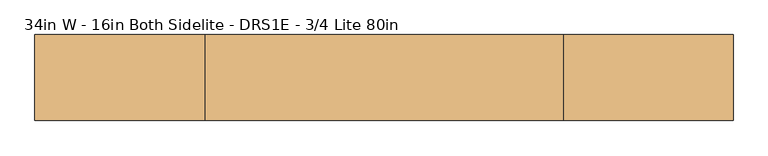
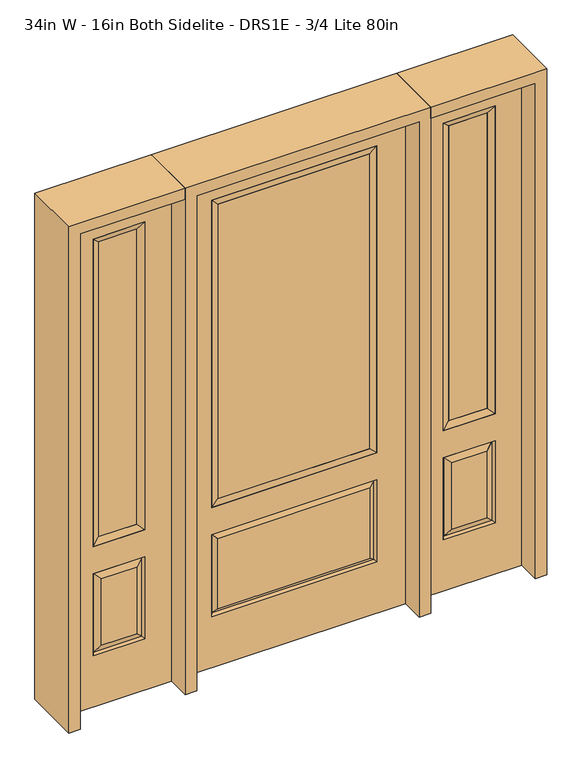
"""IFC4 building model written with IfcOpenShell, lengths in millimetres: door geometry, 34in W - 16in Both Sidelite - DRS1E - 3/4 Lite 80in."""

from ifc_helpers import new_model, si_unit, frame, origin, place, context, project, spatial, polyline, outline, extrude, faceted_brep, source, transform, mapped, element, save


def door_34in_w_16in_both_sidelite_drs1e_3_4_lite_80in_fadc2941(model_context):
    return source(origin(), model_context, "Body", "SolidModel", [
        faceted_brep([(476.25, -22.225, 0.0), (882.65, -22.225, 0.0), (882.65, -22.225, 2032.0), (476.25, -22.225, 2032.0), (779.78, -22.225, 1919.224), (779.78, -22.225, 657.098), (579.12, -22.225, 657.098), (579.12, -22.225, 1919.224), (779.78, -22.225, 209.55), (579.12, -22.225, 209.55), (579.12, -22.225, 546.1), (779.78, -22.225, 546.1), (610.8351001, -22.225, 241.2651001), (748.0648999, -22.225, 241.2651001), (748.0648999, -22.225, 514.3848999), (610.8351001, -22.225, 514.3848999), (476.25, 22.225, 0.0), (476.25, 22.225, 2032.0), (882.65, 22.225, 2032.0), (882.65, 22.225, 0.0), (779.78, 22.225, 1919.224), (579.12, 22.225, 1919.224), (579.12, 22.225, 657.098), (779.78, 22.225, 657.098), (579.12, 22.225, 209.55), (779.78, 22.225, 209.55), (779.78, 22.225, 546.1), (579.12, 22.225, 546.1), (748.0648999, 22.225, 241.2651001), (610.8351001, 22.225, 241.2651001), (610.8351001, 22.225, 514.3848999), (748.0648999, 22.225, 514.3848999), (772.6711499, 12.7912373, 216.6588501), (586.2288501, 12.7912373, 216.6588501), (586.2288501, 12.7912373, 538.9911499), (772.6711499, 12.7912373, 538.9911499), (586.2288501, -12.7912373, 216.6588501), (772.6711499, -12.7912373, 216.6588501), (586.2288501, -12.7912373, 538.9911499), (772.6711499, -12.7912373, 538.9911499)], [[[0, 1, 2, 3], [4, 5, 6, 7], [8, 9, 10, 11]], [[12, 13, 14, 15]], [[16, 17, 18, 19], [20, 21, 22, 23], [24, 25, 26, 27]], [[28, 29, 30, 31]], [[1, 0, 16, 19]], [[2, 1, 19, 18]], [[3, 2, 18, 17]], [[0, 3, 17, 16]], [[5, 4, 20, 23]], [[6, 5, 23, 22]], [[7, 6, 22, 21]], [[4, 7, 21, 20]], [[32, 33, 29, 28]], [[33, 32, 25, 24]], [[29, 33, 34, 30]], [[33, 24, 27, 34]], [[30, 34, 35, 31]], [[34, 27, 26, 35]], [[32, 28, 31, 35]], [[25, 32, 35, 26]], [[12, 36, 37, 13]], [[37, 36, 9, 8]], [[36, 12, 15, 38]], [[9, 36, 38, 10]], [[38, 15, 14, 39]], [[10, 38, 39, 11]], [[13, 37, 39, 14]], [[37, 8, 11, 39]]]),
        faceted_brep([(579.12, 22.225, 1919.224), (579.12, -22.225, 1919.224), (779.78, -22.225, 1919.224), (779.78, 22.225, 1919.224), (604.52, 12.7, 1893.824), (754.38, 12.7, 1893.824), (604.52, -12.7, 1893.824), (754.38, -12.7, 1893.824), (779.78, -22.225, 657.098), (779.78, 22.225, 657.098), (754.38, 12.7, 682.498), (754.38, -12.7, 682.498), (579.12, -22.225, 657.098), (579.12, 22.225, 657.098), (604.52, 12.7, 682.498), (604.52, -12.7, 682.498)], [[[0, 1, 2, 3]], [[4, 0, 3, 5]], [[6, 4, 5, 7]], [[1, 6, 7, 2]], [[3, 2, 8, 9]], [[5, 3, 9, 10]], [[7, 5, 10, 11]], [[2, 7, 11, 8]], [[9, 8, 12, 13]], [[10, 9, 13, 14]], [[11, 10, 14, 15]], [[8, 11, 15, 12]], [[13, 12, 1, 0]], [[14, 13, 0, 4]], [[15, 14, 4, 6]], [[12, 15, 6, 1]]]),
        extrude(outline(polyline([(754.38, -12.7), (604.52, -12.7), (604.52, 12.7), (754.38, 12.7), (754.38, -12.7)])), frame((0.0, 0.0, 682.498), z_axis=(0.0, 0.0, 1.0), x_axis=(1.0, 0.0, 0.0)), (0.0, 0.0, 1.0), 1211.326),
        faceted_brep([(-882.65, -22.225, 0.0), (-476.25, -22.225, 0.0), (-476.25, -22.225, 2032.0), (-882.65, -22.225, 2032.0), (-579.12, -22.225, 1919.224), (-579.12, -22.225, 657.098), (-779.78, -22.225, 657.098), (-779.78, -22.225, 1919.224), (-579.12, -22.225, 209.55), (-779.78, -22.225, 209.55), (-779.78, -22.225, 546.1), (-579.12, -22.225, 546.1), (-748.0648999, -22.225, 241.2651001), (-610.8351001, -22.225, 241.2651001), (-610.8351001, -22.225, 514.3848999), (-748.0648999, -22.225, 514.3848999), (-882.65, 22.225, 0.0), (-882.65, 22.225, 2032.0), (-476.25, 22.225, 2032.0), (-476.25, 22.225, 0.0), (-579.12, 22.225, 1919.224), (-779.78, 22.225, 1919.224), (-779.78, 22.225, 657.098), (-579.12, 22.225, 657.098), (-779.78, 22.225, 209.55), (-579.12, 22.225, 209.55), (-579.12, 22.225, 546.1), (-779.78, 22.225, 546.1), (-610.8351001, 22.225, 241.2651001), (-748.0648999, 22.225, 241.2651001), (-748.0648999, 22.225, 514.3848999), (-610.8351001, 22.225, 514.3848999), (-586.2288501, 12.7912373, 216.6588501), (-772.6711499, 12.7912373, 216.6588501), (-772.6711499, 12.7912373, 538.9911499), (-586.2288501, 12.7912373, 538.9911499), (-772.6711499, -12.7912373, 216.6588501), (-586.2288501, -12.7912373, 216.6588501), (-772.6711499, -12.7912373, 538.9911499), (-586.2288501, -12.7912373, 538.9911499)], [[[0, 1, 2, 3], [4, 5, 6, 7], [8, 9, 10, 11]], [[12, 13, 14, 15]], [[16, 17, 18, 19], [20, 21, 22, 23], [24, 25, 26, 27]], [[28, 29, 30, 31]], [[1, 0, 16, 19]], [[2, 1, 19, 18]], [[3, 2, 18, 17]], [[0, 3, 17, 16]], [[5, 4, 20, 23]], [[6, 5, 23, 22]], [[7, 6, 22, 21]], [[4, 7, 21, 20]], [[32, 33, 29, 28]], [[33, 32, 25, 24]], [[29, 33, 34, 30]], [[33, 24, 27, 34]], [[30, 34, 35, 31]], [[34, 27, 26, 35]], [[32, 28, 31, 35]], [[25, 32, 35, 26]], [[12, 36, 37, 13]], [[37, 36, 9, 8]], [[36, 12, 15, 38]], [[9, 36, 38, 10]], [[38, 15, 14, 39]], [[10, 38, 39, 11]], [[13, 37, 39, 14]], [[37, 8, 11, 39]]]),
        faceted_brep([(-779.78, 22.225, 1919.224), (-779.78, -22.225, 1919.224), (-579.12, -22.225, 1919.224), (-579.12, 22.225, 1919.224), (-754.38, 12.7, 1893.824), (-604.52, 12.7, 1893.824), (-754.38, -12.7, 1893.824), (-604.52, -12.7, 1893.824), (-579.12, -22.225, 657.098), (-579.12, 22.225, 657.098), (-604.52, 12.7, 682.498), (-604.52, -12.7, 682.498), (-779.78, -22.225, 657.098), (-779.78, 22.225, 657.098), (-754.38, 12.7, 682.498), (-754.38, -12.7, 682.498)], [[[0, 1, 2, 3]], [[4, 0, 3, 5]], [[6, 4, 5, 7]], [[1, 6, 7, 2]], [[3, 2, 8, 9]], [[5, 3, 9, 10]], [[7, 5, 10, 11]], [[2, 7, 11, 8]], [[9, 8, 12, 13]], [[10, 9, 13, 14]], [[11, 10, 14, 15]], [[8, 11, 15, 12]], [[13, 12, 1, 0]], [[14, 13, 0, 4]], [[15, 14, 4, 6]], [[12, 15, 6, 1]]]),
        extrude(outline(polyline([(-604.52, -12.7), (-754.38, -12.7), (-754.38, 12.7), (-604.52, 12.7), (-604.52, -12.7)])), frame((0.0, 0.0, 682.498), z_axis=(0.0, 0.0, 1.0), x_axis=(1.0, 0.0, 0.0)), (0.0, 0.0, 1.0), 1211.326),
        faceted_brep([(-313.5661499, -12.7912373, 216.6588501), (313.5661499, -12.7912373, 216.6588501), (296.06875, -22.225, 234.15625), (-296.06875, -22.225, 234.15625), (-320.675, -22.225, 209.55), (320.675, -22.225, 209.55), (-313.5661499, -12.7912373, 538.9911499), (-320.675, -22.225, 546.1), (296.06875, -22.225, 521.49375), (-296.06875, -22.225, 521.49375), (431.8, -22.225, 2032.0), (-431.8, -22.225, 2032.0), (-431.8, -22.225, 0.0), (431.8, -22.225, 0.0), (320.675, -22.225, 546.1), (320.675, -22.225, 1917.7), (320.675, -22.225, 657.098), (-320.675, -22.225, 657.098), (-320.675, -22.225, 1917.7), (313.5661499, -12.7912373, 538.9911499), (-431.8, 22.225, 2032.0), (-431.8, 22.225, 0.0), (431.8, 22.225, 0.0), (431.8, 22.225, 2032.0), (320.675, 22.225, 1917.7), (320.675, 22.225, 657.098), (-320.675, 22.225, 657.098), (-320.675, 22.225, 1917.7), (-320.675, 22.225, 209.55), (320.675, 22.225, 209.55), (320.675, 22.225, 546.1), (-320.675, 22.225, 546.1), (296.06875, 22.225, 234.15625), (-296.06875, 22.225, 234.15625), (-296.06875, 22.225, 521.49375), (296.06875, 22.225, 521.49375), (-313.5661499, 12.7912373, 216.6588501), (313.5661499, 12.7912373, 216.6588501), (313.5661499, 12.7912373, 538.9911499), (-313.5661499, 12.7912373, 538.9911499)], [[[0, 1, 2, 3]], [[1, 0, 4, 5]], [[4, 0, 6, 7]], [[3, 2, 8, 9]], [[10, 11, 12, 13], [5, 4, 7, 14], [15, 16, 17, 18]], [[1, 5, 14, 19]], [[2, 1, 19, 8]], [[0, 3, 9, 6]], [[7, 6, 19, 14]], [[6, 9, 8, 19]], [[12, 11, 20, 21]], [[13, 12, 21, 22]], [[10, 13, 22, 23]], [[16, 15, 24, 25]], [[17, 16, 25, 26]], [[18, 17, 26, 27]], [[23, 22, 21, 20], [28, 29, 30, 31], [24, 27, 26, 25]], [[32, 33, 34, 35]], [[28, 36, 37, 29]], [[29, 37, 38, 30]], [[39, 31, 30, 38]], [[36, 28, 31, 39]], [[37, 36, 33, 32]], [[33, 36, 39, 34]], [[34, 39, 38, 35]], [[37, 32, 35, 38]], [[11, 10, 23, 20]], [[15, 18, 27, 24]]]),
        faceted_brep([(-320.675, -22.225, 1917.7), (-320.675, 22.225, 1917.7), (-320.675, 22.225, 657.098), (-320.675, -22.225, 657.098), (320.675, 22.225, 657.098), (320.675, -22.225, 657.098), (-295.275, 5.08, 682.498), (295.275, 5.08, 682.498), (320.675, 22.225, 1917.7), (320.675, -22.225, 1917.7), (-295.275, -20.32, 682.498), (295.275, -20.32, 682.498), (-295.275, -20.32, 1892.3), (295.275, -20.32, 1892.3), (-295.275, 5.08, 1892.3), (295.275, 5.08, 1892.3)], [[[0, 1, 2, 3]], [[3, 2, 4, 5]], [[2, 6, 7, 4]], [[5, 4, 8, 9]], [[10, 3, 5, 11]], [[12, 0, 3, 10]], [[11, 5, 9, 13]], [[6, 10, 11, 7]], [[14, 12, 10, 6]], [[7, 11, 13, 15]], [[1, 14, 6, 2]], [[4, 7, 15, 8]], [[9, 8, 1, 0]], [[13, 9, 0, 12]], [[15, 13, 12, 14]], [[8, 15, 14, 1]]]),
        extrude(outline(polyline([(295.275, -20.32), (-295.275, -20.32), (-295.275, 5.08), (295.275, 5.08), (295.275, -20.32)])), frame((0.0, 0.0, 682.498), z_axis=(0.0, 0.0, 1.0), x_axis=(1.0, 0.0, 0.0)), (0.0, 0.0, 1.0), 1209.802),
        extrude(outline(polyline([(2032.0, -476.25), (2076.45, -476.25), (2076.45, -927.1), (0.0, -927.1), (0.0, -882.65), (2032.0, -882.65), (2032.0, -476.25)])), frame((0.0, -114.3, 0.0), z_axis=(0.0, 1.0, 0.0), x_axis=(0.0, 0.0, 1.0)), (0.0, 0.0, 1.0), 228.6),
        extrude(outline(polyline([(2076.45, -476.25), (0.0, -476.25), (0.0, -431.8), (2032.0, -431.8), (2032.0, 431.8), (0.0, 431.8), (0.0, 476.25), (2076.45, 476.25), (2076.45, -476.25)])), frame((0.0, -114.3, 0.0), z_axis=(0.0, 1.0, 0.0), x_axis=(0.0, 0.0, 1.0)), (0.0, 0.0, 1.0), 228.6),
        extrude(outline(polyline([(0.0, 882.65), (0.0, 927.1), (2076.45, 927.1), (2076.45, 476.25), (2032.0, 476.25), (2032.0, 882.65), (0.0, 882.65)])), frame((0.0, -114.3, 0.0), z_axis=(0.0, 1.0, 0.0), x_axis=(0.0, 0.0, 1.0)), (0.0, 0.0, 1.0), 228.6),
    ])


if __name__ == "__main__":
    model = new_model("IFC4")
    model_context = context("Model", 3, world=origin())
    ifc_project = project(units=[si_unit("LENGTHUNIT", "METRE", prefix="MILLI")], contexts=[model_context])
    site = spatial("IfcSite", under=ifc_project)
    building = spatial("IfcBuilding", under=site)
    placement = place(None, origin())
    door_34in_w_16in_both_sidelite_drs1e_3_4_lite_80in_shape = door_34in_w_16in_both_sidelite_drs1e_3_4_lite_80in_fadc2941(model_context)
    element("IfcDoor", 1, ObjectType="34in W - 16in Both Sidelite - DRS1E - 3/4 Lite 80in", at=placement, inside=building, context=model_context, shape_type="MappedRepresentation", body=[
        mapped(door_34in_w_16in_both_sidelite_drs1e_3_4_lite_80in_shape, transform((0.0, 0.0, 0.0), x_axis=(1.0, 0.0, 0.0), y_axis=(0.0, 1.0, 0.0), z_axis=(0.0, 0.0, 1.0))),
    ])
    save(model, "model.ifc")
